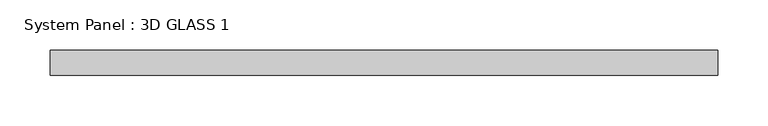
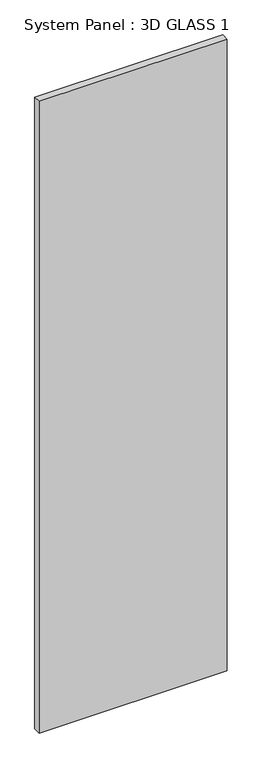
"""IFC4 building model written with IfcOpenShell, lengths in millimetres: plate geometry, System Panel : 3D GLASS 1."""

from ifc_helpers import new_model, si_unit, origin, origin_with_axes, place, context, project, spatial, polyline, outline, extrude, source, transform, mapped, element, save


def system_panel_3d_glass_1_3b81206f(model_context):
    return source(origin(), model_context, "Body", "SweptSolid", [
        extrude(outline(polyline([(333.8263942, -12.7), (-333.8263942, -12.7), (-333.8263942, 12.7), (333.8263942, 12.7), (333.8263942, -12.7)])), origin_with_axes(), (0.0, 0.0, 1.0), 2369.3907666),
    ])


if __name__ == "__main__":
    model = new_model("IFC4")
    model_context = context("Model", 3, world=origin())
    ifc_project = project(units=[si_unit("LENGTHUNIT", "METRE", prefix="MILLI")], contexts=[model_context])
    site = spatial("IfcSite", under=ifc_project)
    building = spatial("IfcBuilding", under=site)
    placement = place(None, origin())
    system_panel_3d_glass_1_shape = system_panel_3d_glass_1_3b81206f(model_context)
    element("IfcPlate", 1, ObjectType="System Panel : 3D GLASS 1", at=placement, inside=building, context=model_context, shape_type="MappedRepresentation", body=[
        mapped(system_panel_3d_glass_1_shape, transform((0.0, 0.0, 0.0), x_axis=(1.0, 0.0, 0.0), y_axis=(0.0, 1.0, 0.0), z_axis=(0.0, 0.0, 1.0))),
    ])
    save(model, "model.ifc")
